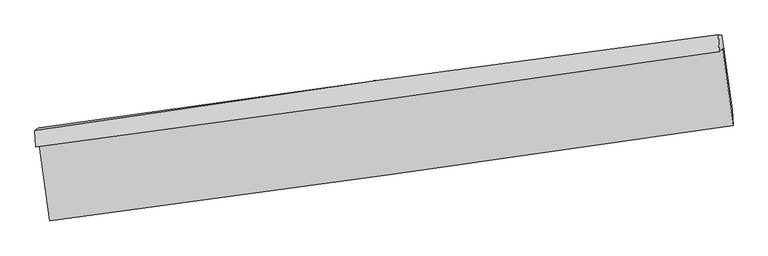
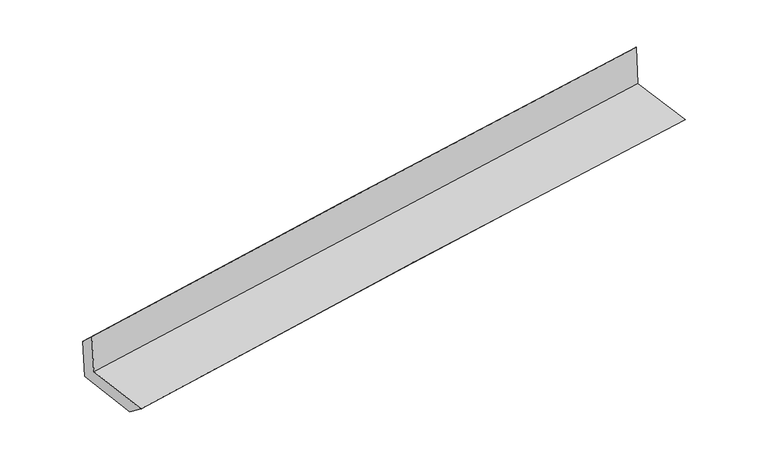
"""IFC4 building model written with IfcOpenShell, lengths in millimetres: proxy geometry."""

from ifc_helpers import new_model, si_unit, frame, origin, place, context, project, spatial, source, transform, mapped, element, save
from ifc_brep_helpers import plane_surface, spline_curve, spline_surface, advanced_brep


def generic_models_6cc7c992(model_context):
    return source(origin(), model_context, "Body", "AdvancedBrep", [
        advanced_brep(
        [(-3001.9943681, -1911.3308435, 1658.3559928), (-2910.198271, -2574.5550377, 1633.7156852), (3046.9595894, -1740.9739942, 2123.0103382), (2955.3685817, -1070.587581, 2133.5092011), (-3032.1203409, -1930.1163074, 2051.7572283), (2924.6485844, -1096.7037615, 2546.0101676), (-3040.6240549, -1784.8740083, 1917.4726), (2917.013433, -950.9644902, 2400.4561131), (-3010.4980821, -1766.0885444, 1524.0713645), (2948.8790362, -953.483138, 2020.8231734), (-2922.812258, -2399.6161329, 1500.5343542), (3038.2696274, -1602.2455199, 2001.5836241)],
        [
            (0, 1),
            (1, 2, spline_curve(3, [(-2910.198271, -2574.5550377, 1633.7156852), (-1918.183899975, -2442.456291375, 1736.696797056), (-925.751766312, -2306.942546088, 1828.961612495), (1059.967503928, -2029.082332084, 1992.060250396), (2053.254657291, -1886.735729533, 2062.893652754), (3046.9595894, -1740.9739942, 2123.0103382)], [4, 2, 4], [0.0, 9.900400005841385, 19.80099424656913])),
            (2, 3),
            (3, 0, spline_curve(3, [(2955.3685817, -1070.587581, 2133.5092011), (1963.101951819, -1221.824250893, 2064.994001949), (970.51685135, -1367.505157249, 1991.139861105), (-1015.270810864, -1647.752693305, 1832.755248545), (-2008.473360473, -1782.319541207, 1748.224986837), (-3001.9943681, -1911.3308435, 1658.3559928)], [4, 2, 4], [0.0, 9.900594240727743, 19.80099424656913])),
            (4, 0),
            (3, 5),
            (5, 4, spline_curve(3, [(2924.6485844, -1096.7037615, 2546.0101676), (1931.657785897, -1242.57864663, 2477.478013271), (938.760107719, -1384.967781816, 2402.023719271), (-1046.829530375, -1662.771826907, 2237.272468032), (-2039.521494025, -1798.186873715, 2147.975782338), (-3032.1203409, -1930.1163074, 2051.7572283)], [4, 2, 4], [0.0, 9.900456325367758, 19.80071841855485])),
            (6, 4),
            (5, 7),
            (7, 6, spline_curve(3, [(2917.013433, -950.9644902, 2400.4561131), (1922.395483495, -1079.823345729, 2323.789081701), (928.611856021, -1213.745964556, 2245.206526416), (-1057.267274037, -1491.716002539, 2084.211947036), (-2049.362809271, -1635.763223193, 2001.799997911), (-3040.6240549, -1784.8740083, 1917.4726)], [4, 2, 4], [0.0, 9.900237170553469, 19.800280113225764])),
            (8, 6),
            (7, 9),
            (9, 8, spline_curve(3, [(2948.8790362, -953.483138, 2020.8231734), (1955.92113806, -1095.791748945, 1946.083156303), (962.822556109, -1234.663802196, 1867.31671807), (-1023.636488836, -1505.532135962, 1701.732623603), (-2016.996946425, -1637.528551769, 1614.915125816), (-3010.4980821, -1766.0885444, 1524.0713645)], [4, 2, 4], [0.0, 9.900128745013129, 19.800063264272232])),
            (10, 8),
            (9, 11),
            (11, 10, spline_curve(3, [(3038.2696274, -1602.2455199, 2001.5836241), (2045.589649709, -1747.093998792, 1927.635798125), (1052.487960324, -1885.966382636, 1848.907322955), (-934.539351478, -2151.756352337, 1681.890711769), (-1928.464956936, -2278.674172977, 1593.602764061), (-2922.812258, -2399.6161329, 1500.5343542)], [4, 2, 4], [0.0, 9.90023668287038, 19.800279137869154])),
            (1, 10),
            (11, 2),
        ],
        [
            spline_surface(3, 3, [[(-3001.9943681, -1911.3308435, 1658.3559928), (-2008.473360569, -1782.319541259, 1748.224986991), (-1015.270810965, -1647.752693356, 1832.755248696), (970.516851452, -1367.505157198, 1991.139860954), (1963.101951805, -1221.824250895, 2064.994001998), (2955.3685817, -1070.587581, 2133.5092011)], [(-2971.395669067, -2132.405574907, 1650.142556929), (-1978.376873683, -2002.365124592, 1744.382256988), (-985.431129431, -1867.482644228, 1831.490703265), (1000.333735648, -1588.030882179, 1991.446657487), (1993.152853643, -1443.461410442, 2064.29388559), (2985.898917604, -1294.049718723, 2130.009580119)], [(-2940.796970033, -2353.480306293, 1641.929121071), (-1948.280386794, -2222.410707905, 1740.539526998), (-955.591447927, -2087.21259513, 1830.226157801), (1030.150619813, -1808.556607189, 1991.753453989), (2023.20375547, -1665.098570021, 2063.593769226), (3016.429253496, -1517.511856477, 2126.509959181)], [(-2910.198271, -2574.5550377, 1633.7156852), (-1918.183899907, -2442.456291238, 1736.696796995), (-925.751766392, -2306.942546002, 1828.961612369), (1059.967504008, -2029.08233217, 1992.060250522), (2053.254657308, -1886.735729568, 2062.893652818), (3046.9595894, -1740.9739942, 2123.0103382)]], [4, 4], [4, 2, 4], [0.0, 2.1864183112981013], [0.0, 9.900400005841385, 19.80099424656913]),
            spline_surface(3, 3, [[(-3032.1203409, -1930.1163074, 2051.7572283), (-2039.52149404, -1798.186873818, 2147.975782198), (-1046.829530389, -1662.771826972, 2237.272467966), (938.760107733, -1384.96778175, 2402.023719336), (1931.657785831, -1242.578646678, 2477.478013331), (2924.6485844, -1096.7037615, 2546.0101676)], [(-3022.078349959, -1923.854486086, 1920.623483128), (-2029.172116209, -1792.897762951, 2014.725517124), (-1036.309957249, -1657.765449082, 2102.433394886), (949.345688971, -1379.146906882, 2265.062433218), (1942.139174477, -1235.660514781, 2339.983342888), (2934.888583488, -1087.998368031, 2408.509845434)], [(-3012.036359041, -1917.592664814, 1789.489737972), (-2018.822738401, -1787.608652125, 1881.475252066), (-1025.790384105, -1652.759071246, 1967.594321777), (959.931270213, -1373.326032067, 2128.101147072), (1952.620563159, -1228.742382792, 2202.488672441), (2945.128582612, -1079.292974469, 2271.009523266)], [(-3001.9943681, -1911.3308435, 1658.3559928), (-2008.473360569, -1782.319541259, 1748.224986991), (-1015.270810965, -1647.752693356, 1832.755248696), (970.516851452, -1367.505157198, 1991.139860954), (1963.101951805, -1221.824250895, 2064.994001998), (2955.3685817, -1070.587581, 2133.5092011)]], [4, 4], [4, 2, 4], [0.0, 1.3426845158186462], [0.0, 9.900262093187093, 19.80071841855485]),
            spline_surface(3, 3, [[(-3040.6240549, -1784.8740083, 1917.4726), (-2049.362809205, -1635.763223031, 2001.799997927), (-1057.267273954, -1491.716002569, 2084.211946961), (928.611855938, -1213.745964525, 2245.206526491), (1922.395483331, -1079.823345605, 2323.789081815), (2917.013433, -950.9644902, 2400.4561131)], [(-3037.789483556, -1833.288108001, 1962.234142768), (-2046.082370806, -1689.904439961, 2050.525259352), (-1053.788026105, -1548.734610714, 2135.23212063), (931.99460653, -1270.81990361, 2297.478924107), (1925.482917522, -1134.075112599, 2375.018725652), (2919.558483491, -999.54424727, 2448.974131265)], [(-3034.954912244, -1881.702207699, 2006.995685532), (-2042.801932439, -1744.045656887, 2099.250520774), (-1050.308778238, -1605.753218828, 2186.252294297), (935.37735714, -1327.893842665, 2349.751321721), (1928.570351639, -1188.326879684, 2426.248369494), (2922.103533909, -1048.12400443, 2497.492149435)], [(-3032.1203409, -1930.1163074, 2051.7572283), (-2039.52149404, -1798.186873818, 2147.975782198), (-1046.829530389, -1662.771826972, 2237.272467966), (938.760107733, -1384.96778175, 2402.023719336), (1931.657785831, -1242.578646678, 2477.478013331), (2924.6485844, -1096.7037615, 2546.0101676)]], [4, 4], [4, 2, 4], [0.0, 0.7581544905994325], [0.0, 9.900042942672295, 19.800280113225764]),
            spline_surface(3, 3, [[(-3010.4980821, -1766.0885444, 1524.0713645), (-2016.996946474, -1637.528551635, 1614.915125662), (-1023.636488842, -1505.532136051, 1701.732623685), (962.822556114, -1234.663802107, 1867.316717988), (1955.921137909, -1095.791748857, 1946.083156226), (2948.8790362, -953.483138, 2020.8231734)], [(-3020.540073041, -1772.350365714, 1655.205109672), (-2027.785567393, -1636.94010878, 1743.876749756), (-1034.84675053, -1500.926758243, 1829.225731427), (951.418989405, -1227.691189598, 1993.279987472), (1944.745919699, -1090.468947777, 2071.985131413), (2938.25716845, -952.643588737, 2147.367486624)], [(-3030.582063959, -1778.612186986, 1786.338854828), (-2038.574188287, -1636.351665885, 1872.838373833), (-1046.057012266, -1496.321380378, 1956.718839219), (940.015422648, -1220.718577033, 2119.243257007), (1933.570701541, -1085.146146685, 2197.887106628), (2927.63530075, -951.804039463, 2273.911799876)], [(-3040.6240549, -1784.8740083, 1917.4726), (-2049.362809205, -1635.763223031, 2001.799997927), (-1057.267273954, -1491.716002569, 2084.211946961), (928.611855938, -1213.745964525, 2245.206526491), (1922.395483331, -1079.823345605, 2323.789081815), (2917.013433, -950.9644902, 2400.4561131)]], [4, 4], [4, 2, 4], [0.0, 1.2535749714927844], [0.0, 9.899934519259103, 19.800063264272232]),
            spline_surface(3, 3, [[(-2922.812258, -2399.6161329, 1500.5343542), (-1928.46495697, -2278.674173021, 1593.602763913), (-934.539351422, -2151.756352405, 1681.890711932), (1052.487960269, -1885.966382568, 1848.907322792), (2045.589649832, -1747.093998822, 1927.635798106), (3038.2696274, -1602.2455199, 2001.5836241)], [(-2952.040866031, -2188.440270064, 1508.380024286), (-1957.975620136, -2064.958965889, 1600.706884482), (-964.238397253, -1936.348280269, 1688.504682534), (1022.599492194, -1668.865522396, 1855.043787875), (2015.700145851, -1529.993248834, 1933.784917502), (3008.47276366, -1385.9913926, 2007.996807222)], [(-2981.269474069, -1977.264407236, 1516.225694414), (-1987.486283308, -1851.243758766, 1607.811005093), (-993.937443012, -1720.940208187, 1695.118653083), (992.71102419, -1451.764662279, 1861.180252905), (1985.810641889, -1312.892498845, 1939.934036831), (2978.67589994, -1169.7372653, 2014.409990278)], [(-3010.4980821, -1766.0885444, 1524.0713645), (-2016.996946474, -1637.528551635, 1614.915125662), (-1023.636488842, -1505.532136051, 1701.732623685), (962.822556114, -1234.663802107, 1867.316717988), (1955.921137909, -1095.791748857, 1946.083156226), (2948.8790362, -953.483138, 2020.8231734)]], [4, 4], [4, 2, 4], [0.0, 2.149510592105502], [0.0, 9.900042454998774, 19.800279137869154]),
            spline_surface(3, 3, [[(-2910.198271, -2574.5550377, 1633.7156852), (-1918.183899907, -2442.456291238, 1736.696796995), (-925.751766392, -2306.942546002, 1828.961612369), (1059.967504008, -2029.08233217, 1992.060250522), (2053.254657308, -1886.735729568, 2062.893652818), (3046.9595894, -1740.9739942, 2123.0103382)], [(-2914.402933345, -2516.242069428, 1589.321908218), (-1921.61091894, -2387.862251827, 1688.998785985), (-928.680961397, -2255.213814821, 1779.937978869), (1057.474322767, -1981.377015653, 1944.342607924), (2050.699654822, -1840.188485992, 2017.80770125), (3044.062935407, -1694.731169439, 2082.534766836)], [(-2918.607595655, -2457.929101172, 1544.928131182), (-1925.037937937, -2333.268212432, 1641.300774923), (-931.610156417, -2203.485083587, 1730.914345433), (1054.98114151, -1933.671699084, 1896.62496539), (2048.144652317, -1793.641242398, 1972.721749674), (3041.166281393, -1648.488344661, 2042.059195464)], [(-2922.812258, -2399.6161329, 1500.5343542), (-1928.46495697, -2278.674173021, 1593.602763913), (-934.539351422, -2151.756352405, 1681.890711932), (1052.487960269, -1885.966382568, 1848.907322792), (2045.589649832, -1747.093998822, 1927.635798106), (3038.2696274, -1602.2455199, 2001.5836241)]], [4, 4], [4, 2, 4], [0.0, 0.6832471606291732], [0.0, 9.900248476183824, 19.800691184281163]),
            plane_surface(frame((2971.8564754, -1235.8264142, 2204.2321029), z_axis=(0.9876293105637165, 0.13364966852781726, 0.08201287104987146), x_axis=(-0.08364196032825594, 0.006611035626002567, 0.9964739417969736))),
            plane_surface(frame((-2986.3745625, -2061.0968124, 1714.3178708), z_axis=(-0.9876293105635313, -0.13364966852928886, -0.08201287104970258), x_axis=(-0.13700910014579556, 0.9898868570442912, 0.03677657852783746))),
        ],
        [
            (0, [[1, 2, 3, 4]]),
            (1, [[5, -4, 6, 7]]),
            (2, [[8, -7, 9, 10]]),
            (3, [[11, -10, 12, 13]]),
            (4, [[14, -13, 15, 16]]),
            (5, [[17, -16, 18, -2]]),
            (6, [[-12, -9, -6, -3, -18, -15]]),
            (7, [[-1, -5, -8, -11, -14, -17]]),
        ],
    ),
    ])


if __name__ == "__main__":
    model = new_model("IFC4")
    model_context = context("Model", 3, world=origin())
    ifc_project = project(units=[si_unit("LENGTHUNIT", "METRE", prefix="MILLI")], contexts=[model_context])
    site = spatial("IfcSite", under=ifc_project)
    building = spatial("IfcBuilding", under=site)
    placement = place(None, origin())
    generic_models_shape = generic_models_6cc7c992(model_context)
    element("IfcBuildingElementProxy", 1, Name="Generic Models", at=placement, inside=building, context=model_context, shape_type="MappedRepresentation", body=[
        mapped(generic_models_shape, transform((0.0, 0.0, 0.0), x_axis=(1.0, 0.0, 0.0), y_axis=(0.0, 1.0, 0.0), z_axis=(0.0, 0.0, 1.0))),
    ])
    save(model, "model.ifc")
